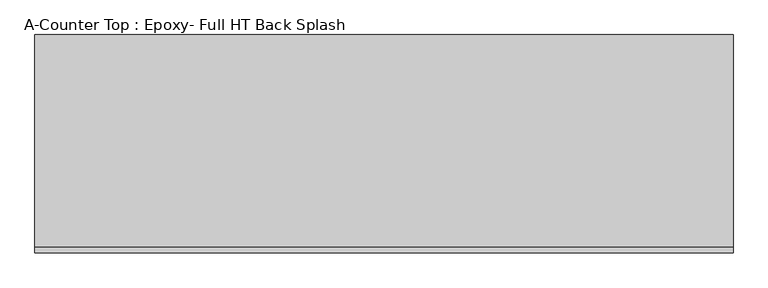
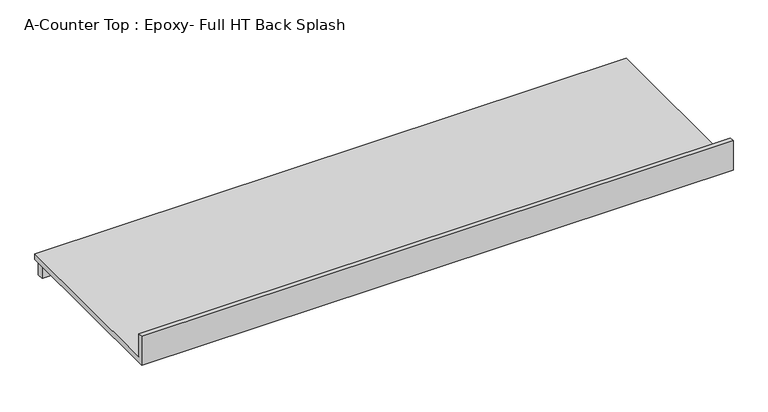
"""IFC4 building model written with IfcOpenShell, lengths in millimetres: furniture geometry, A-Counter Top : Epoxy- Full HT Back Splash."""

from ifc_helpers import new_model, si_unit, frame, origin, place, context, project, spatial, polyline, outline, extrude, source, transform, mapped, element, save


def a_counter_top_epoxy_full_ht_back_splash_70159aac(model_context):
    return source(origin(), model_context, "Body", "SweptSolid", [
        extrude(outline(polyline([(0.0, 1041.4), (19.05, 1041.4), (19.05, 939.8), (762.0, 939.8), (762.0, 914.4), (0.0, 914.4), (0.0, 1041.4)])), frame((-1327.4622951, 0.0, 0.0), z_axis=(1.0, 0.0, 0.0), x_axis=(0.0, 1.0, 0.0)), (0.0, 0.0, 1.0), 2438.4),
        extrude(outline(polyline([(1110.9377049, 711.2), (-1327.4622951, 711.2), (-1327.4622951, 736.6), (1110.9377049, 736.6), (1110.9377049, 711.2)])), frame((0.0, 0.0, 863.6), z_axis=(0.0, 0.0, 1.0), x_axis=(1.0, 0.0, 0.0)), (0.0, 0.0, 1.0), 50.8),
    ])


if __name__ == "__main__":
    model = new_model("IFC4")
    model_context = context("Model", 3, world=origin())
    ifc_project = project(units=[si_unit("LENGTHUNIT", "METRE", prefix="MILLI")], contexts=[model_context])
    site = spatial("IfcSite", under=ifc_project)
    building = spatial("IfcBuilding", under=site)
    placement = place(None, origin())
    a_counter_top_epoxy_full_ht_back_splash_shape = a_counter_top_epoxy_full_ht_back_splash_70159aac(model_context)
    element("IfcFurniture", 1, ObjectType="A-Counter Top : Epoxy- Full HT Back Splash", at=placement, inside=building, context=model_context, shape_type="MappedRepresentation", body=[
        mapped(a_counter_top_epoxy_full_ht_back_splash_shape, transform((0.0, 0.0, 0.0), x_axis=(1.0, 0.0, 0.0), y_axis=(0.0, 1.0, 0.0), z_axis=(0.0, 0.0, 1.0))),
    ])
    save(model, "model.ifc")
